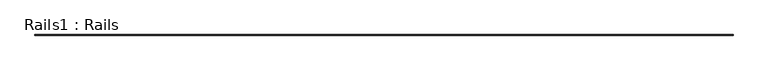
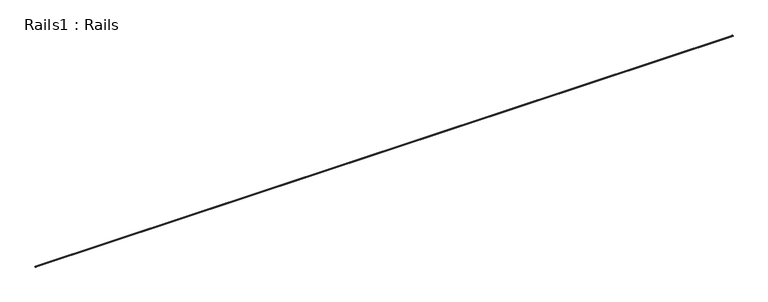
"""IFC4 building model written with IfcOpenShell, lengths in millimetres: geographic element geometry, Rails1 : Rails."""

from ifc_helpers import new_model, si_unit, frame, origin, place, context, project, spatial, polyline, outline, extrude, source, transform, mapped, element, save


def rails1_rails_0790b17c(model_context):
    return source(origin(), model_context, "Body", "SweptSolid", [
        extrude(outline(polyline([(19335.2751014, -760.0), (19195.2751014, -760.0), (19195.2751014, -745.0), (19258.2751014, -745.0), (19258.2751014, -656.0), (19232.7751014, -656.0), (19232.7751014, -607.0), (19297.7751014, -607.0), (19297.7751014, -656.0), (19272.2751014, -656.0), (19272.2751014, -745.0), (19335.2751014, -745.0), (19335.2751014, -760.0)])), frame((-75461.4052033, 0.0, 0.0), z_axis=(1.0, 0.0, 0.0), x_axis=(0.0, 1.0, 0.0)), (0.0, 0.0, 1.0), 143753.8302848),
    ])


if __name__ == "__main__":
    model = new_model("IFC4")
    model_context = context("Model", 3, world=origin())
    ifc_project = project(units=[si_unit("LENGTHUNIT", "METRE", prefix="MILLI")], contexts=[model_context])
    site = spatial("IfcSite", under=ifc_project)
    building = spatial("IfcBuilding", under=site)
    placement = place(None, origin())
    rails1_rails_shape = rails1_rails_0790b17c(model_context)
    element("IfcGeographicElement", 1, ObjectType="Rails1 : Rails", at=placement, inside=building, context=model_context, shape_type="MappedRepresentation", body=[
        mapped(rails1_rails_shape, transform((0.0, 0.0, 0.0), x_axis=(1.0, 0.0, 0.0), y_axis=(0.0, 1.0, 0.0), z_axis=(0.0, 0.0, 1.0))),
    ])
    save(model, "model.ifc")
